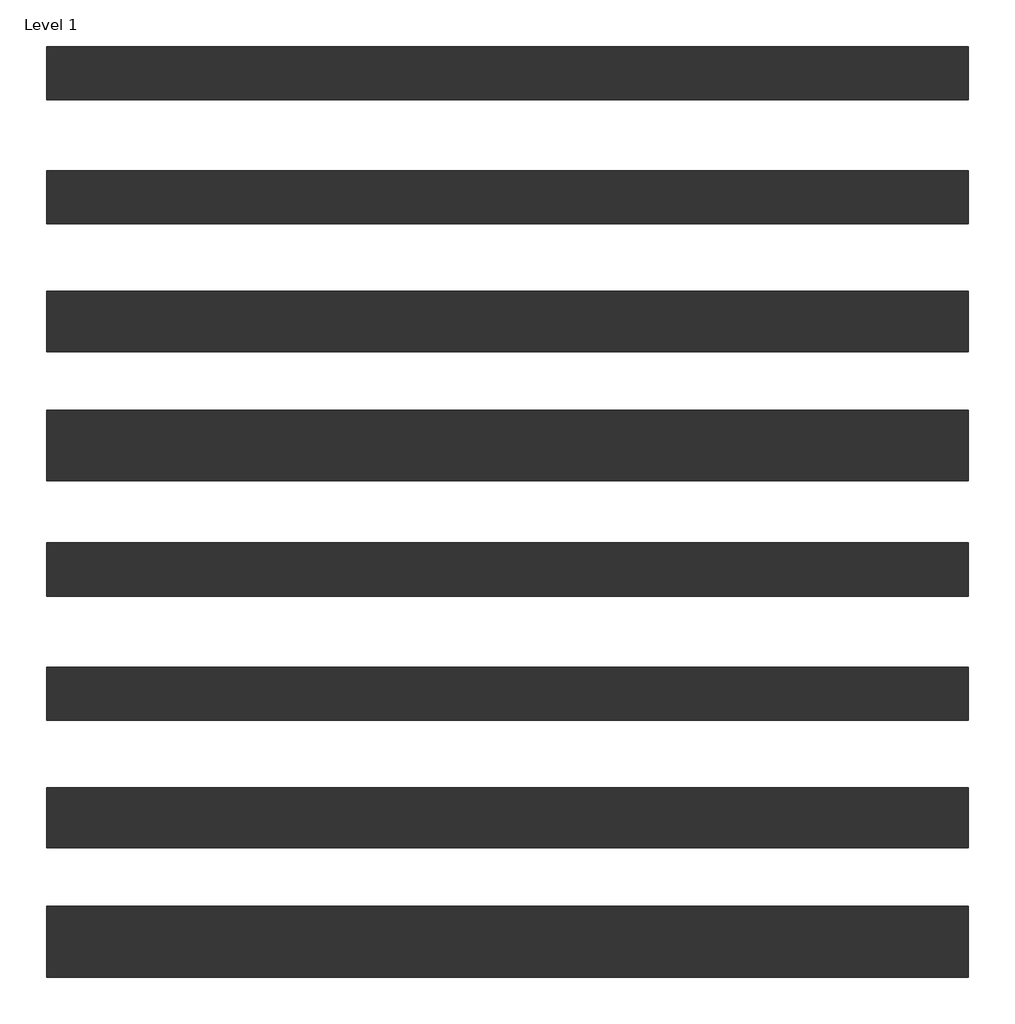
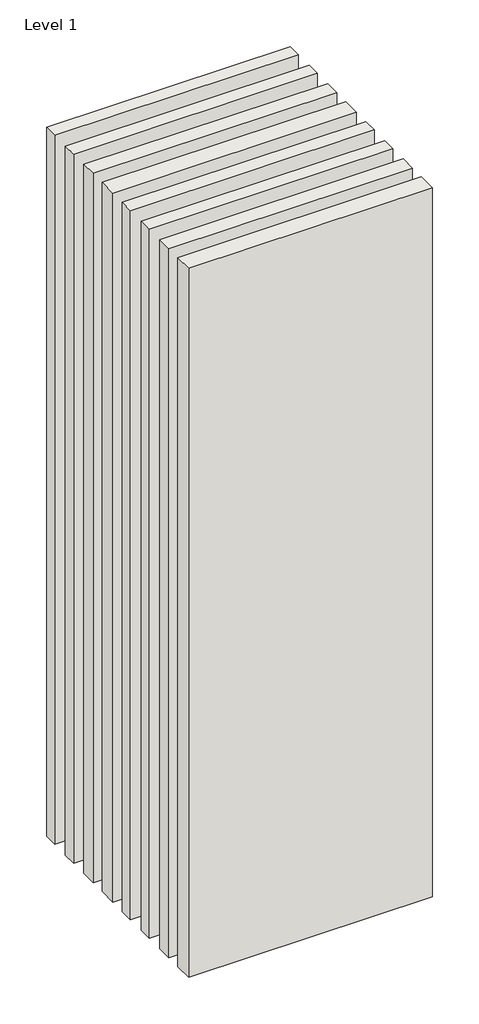
# One storey: 8 walls.
"""IFC4 building model written with IfcOpenShell, lengths in millimetres."""

from ifc_helpers import new_model, si_unit, origin, origin_with_axes, place, context, project, spatial, polyline, outline, extrude, element, save

model = new_model("IFC4")

# Units and contexts
model_context = context("Model", 3, world=origin())
ifc_project = project(units=[si_unit("LENGTHUNIT", "METRE", prefix="MILLI")], contexts=[model_context])

# Site, building, storey
site = spatial("IfcSite", under=ifc_project)
building = spatial("IfcBuilding", under=site)
storey = spatial("IfcBuildingStorey", under=building, Name="Level 1", Elevation=0.0)

# Walls
placement = place(None, origin())
element("IfcWall", 1, at=placement, inside=storey, context=model_context, shape_type="SweptSolid", body=[
    extrude(outline(polyline([(-16904.1464237, 2586.4042935), (-19504.1464237, 2586.4042935), (-19504.1464237, 2786.4042935), (-16904.1464237, 2786.4042935), (-16904.1464237, 2586.4042935)])), origin_with_axes(), (0.0, 0.0, 1.0), 8000.0),
])
element("IfcWall", 2, at=placement, inside=storey, context=model_context, shape_type="SweptSolid", body=[
    extrude(outline(polyline([(-16904.1464237, 3661.4042935), (-19504.1464237, 3661.4042935), (-19504.1464237, 3811.4042935), (-16904.1464237, 3811.4042935), (-16904.1464237, 3661.4042935)])), origin_with_axes(), (0.0, 0.0, 1.0), 8000.0),
])
element("IfcWall", 3, at=placement, inside=storey, context=model_context, shape_type="SweptSolid", body=[
    extrude(outline(polyline([(-16904.1464237, 3311.4042935), (-19504.1464237, 3311.4042935), (-19504.1464237, 3461.4042935), (-16904.1464237, 3461.4042935), (-16904.1464237, 3311.4042935)])), origin_with_axes(), (0.0, 0.0, 1.0), 8000.0),
])
element("IfcWall", 4, at=placement, inside=storey, context=model_context, shape_type="SweptSolid", body=[
    extrude(outline(polyline([(-16904.1464237, 2951.4042935), (-19504.1464237, 2951.4042935), (-19504.1464237, 3121.4042935), (-16904.1464237, 3121.4042935), (-16904.1464237, 2951.4042935)])), origin_with_axes(), (0.0, 0.0, 1.0), 8000.0),
])
element("IfcWall", 5, at=placement, inside=storey, context=model_context, shape_type="SweptSolid", body=[
    extrude(outline(polyline([(-16904.1464237, 1186.4042935), (-19504.1464237, 1186.4042935), (-19504.1464237, 1386.4042935), (-16904.1464237, 1386.4042935), (-16904.1464237, 1186.4042935)])), origin_with_axes(), (0.0, 0.0, 1.0), 8000.0),
])
element("IfcWall", 6, at=placement, inside=storey, context=model_context, shape_type="SweptSolid", body=[
    extrude(outline(polyline([(-16904.1464237, 2261.4042935), (-19504.1464237, 2261.4042935), (-19504.1464237, 2411.4042935), (-16904.1464237, 2411.4042935), (-16904.1464237, 2261.4042935)])), origin_with_axes(), (0.0, 0.0, 1.0), 8000.0),
])
element("IfcWall", 7, at=placement, inside=storey, context=model_context, shape_type="SweptSolid", body=[
    extrude(outline(polyline([(-16904.1464237, 1911.4042935), (-19504.1464237, 1911.4042935), (-19504.1464237, 2061.4042935), (-16904.1464237, 2061.4042935), (-16904.1464237, 1911.4042935)])), origin_with_axes(), (0.0, 0.0, 1.0), 8000.0),
])
element("IfcWall", 8, at=placement, inside=storey, context=model_context, shape_type="SweptSolid", body=[
    extrude(outline(polyline([(-16904.1464237, 1551.4042935), (-19504.1464237, 1551.4042935), (-19504.1464237, 1721.4042935), (-16904.1464237, 1721.4042935), (-16904.1464237, 1551.4042935)])), origin_with_axes(), (0.0, 0.0, 1.0), 8000.0),
])

save(model, "model.ifc")
